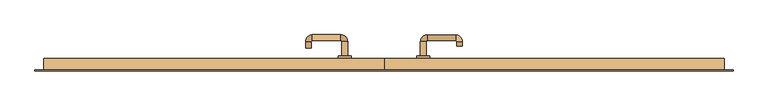
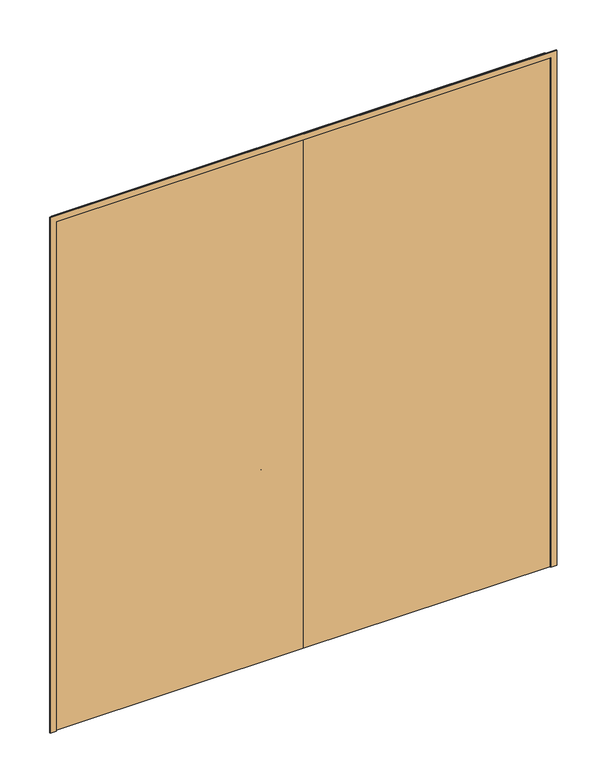
"""IFC4 building model written with IfcOpenShell, lengths in millimetres: door geometry."""

from ifc_helpers import new_model, si_unit, point, frame, frame_2d, origin, place, context, project, spatial, polyline, circle_curve, ellipse_curve, trimmed, segment, composite_curve, outline, extrude, source, transform, mapped, element, save
from ifc_brep_helpers import plane_surface, cylinder_surface, revolved_surface, advanced_brep


def door_8a9f2c15(model_context):
    return source(origin(), model_context, "Body", "SolidModel", [
        extrude(outline(polyline([(2900.0, -1350.0), (0.0, -1350.0), (0.0, -1318.0), (2868.0, -1318.0), (2868.0, 1318.0), (0.0, 1318.0), (0.0, 1350.0), (2900.0, 1350.0), (2900.0, -1350.0)])), frame((0.0, -15.0, 0.0), z_axis=(0.0, 1.0, 0.0), x_axis=(0.0, 0.0, 1.0)), (0.0, 0.0, 1.0), 5.0),
        advanced_brep(
        [(140.99898, 44.0, 1003.0), (162.99898, 44.0, 1003.0), (162.99898, 99.3525369, 1003.0), (140.99898, 99.3525369, 1003.0), (166.99898, 103.3525369, 1003.0), (166.99898, 125.3525369, 1003.0), (276.99898, 103.3525369, 1003.0), (276.99898, 125.3525369, 1003.0), (280.99898, 99.3525369, 1003.0), (302.99898, 99.3525369, 1003.0), (302.99898, 82.0, 1003.0), (280.99898, 82.0, 1003.0)],
        [
            (0, 1, circle_curve(frame((151.99898, 44.0, 1003.0), z_axis=(0.0, -1.0, 0.0), x_axis=(1.0, 0.0, 0.0)), 11.0)),
            (1, 0, circle_curve(frame((151.99898, 44.0, 1003.0), z_axis=(0.0, -1.0, 0.0), x_axis=(1.0, 0.0, 0.0)), 11.0)),
            (1, 2),
            (2, 3, circle_curve(frame((151.99898, 99.3525369, 1003.0), z_axis=(0.0, -1.0, 0.0), x_axis=(1.0, 0.0, 0.0)), 11.0)),
            (3, 0),
            (3, 2, circle_curve(frame((151.99898, 99.3525369, 1003.0), z_axis=(0.0, -1.0, 0.0), x_axis=(1.0, 0.0, 0.0)), 11.0)),
            (4, 5, circle_curve(frame((166.99898, 114.3525369, 1003.0), z_axis=(-1.0, 0.0, 0.0), x_axis=(0.0, -1.0, 0.0)), 11.0)),
            (5, 3, circle_curve(frame((166.99898, 99.3525369, 1003.0), z_axis=(0.0, 0.0, 1.0), x_axis=(-1.0, 0.0, 0.0)), 26.0)),
            (2, 4, circle_curve(frame((166.99898, 99.3525369, 1003.0), z_axis=(0.0, 0.0, -1.0), x_axis=(-1.0, 0.0, 0.0)), 4.0)),
            (5, 4, circle_curve(frame((166.99898, 114.3525369, 1003.0), z_axis=(-1.0, 0.0, 0.0), x_axis=(0.0, -1.0, 0.0)), 11.0)),
            (4, 6),
            (6, 7, circle_curve(frame((276.99898, 114.3525369, 1003.0), z_axis=(-1.0, 0.0, 0.0), x_axis=(0.0, -1.0, 0.0)), 11.0)),
            (7, 5),
            (7, 6, circle_curve(frame((276.99898, 114.3525369, 1003.0), z_axis=(-1.0, 0.0, 0.0), x_axis=(0.0, -1.0, 0.0)), 11.0)),
            (8, 9, circle_curve(frame((291.99898, 99.3525369, 1003.0), z_axis=(0.0, 1.0, 0.0), x_axis=(-1.0, 0.0, 0.0)), 11.0)),
            (9, 7, circle_curve(frame((276.99898, 99.3525369, 1003.0), z_axis=(0.0, 0.0, 1.0), x_axis=(0.0, 1.0, 0.0)), 26.0)),
            (6, 8, circle_curve(frame((276.99898, 99.3525369, 1003.0), z_axis=(0.0, 0.0, -1.0), x_axis=(0.0, 1.0, 0.0)), 4.0)),
            (9, 8, circle_curve(frame((291.99898, 99.3525369, 1003.0), z_axis=(0.0, 1.0, 0.0), x_axis=(-1.0, 0.0, 0.0)), 11.0)),
            (10, 11, circle_curve(frame((291.99898, 82.0, 1003.0), z_axis=(0.0, -1.0, 0.0), x_axis=(-1.0, 0.0, 0.0)), 11.0)),
            (11, 10, circle_curve(frame((291.99898, 82.0, 1003.0), z_axis=(0.0, -1.0, 0.0), x_axis=(-1.0, 0.0, 0.0)), 11.0)),
            (8, 11),
            (10, 9),
        ],
        [
            plane_surface(frame((140.99898, 44.0, 1003.0), z_axis=(0.0, -1.0, 0.0), x_axis=(0.0, 0.0, -1.0))),
            cylinder_surface(frame((151.99898, 44.0, 1003.0), z_axis=(0.0, -1.0, 0.0), x_axis=(1.0, 0.0, 0.0)), 11.0),
            revolved_surface(trimmed(ellipse_curve(frame((151.99898, 99.3525369, 1003.0), z_axis=(0.0, 1.0, 0.0), x_axis=(1.0, 0.0, 0.0)), 11.0, 11.0), [point((140.99898, 99.3525369, 1003.0))], [point((162.99898, 99.3525369, 1003.0))], True, "CARTESIAN"), (166.99898, 99.3525369, 1003.0), (0.0, 0.0, 1.0)),
            revolved_surface(trimmed(ellipse_curve(frame((151.99898, 99.3525369, 1003.0), z_axis=(0.0, 1.0, 0.0), x_axis=(1.0, 0.0, 0.0)), 11.0, 11.0), [point((162.99898, 99.3525369, 1003.0))], [point((140.99898, 99.3525369, 1003.0))], True, "CARTESIAN"), (166.99898, 99.3525369, 1003.0), (0.0, 0.0, 1.0)),
            cylinder_surface(frame((166.99898, 114.3525369, 1003.0), z_axis=(-1.0, 0.0, 0.0), x_axis=(0.0, -1.0, 0.0)), 11.0),
            revolved_surface(trimmed(ellipse_curve(frame((276.99898, 114.3525369, 1003.0), z_axis=(1.0, 0.0, 0.0), x_axis=(0.0, -1.0, 0.0)), 11.0, 11.0), [point((276.99898, 125.3525369, 1003.0))], [point((276.99898, 103.3525369, 1003.0))], True, "CARTESIAN"), (276.99898, 99.3525369, 1003.0), (0.0, 0.0, 1.0)),
            revolved_surface(trimmed(ellipse_curve(frame((276.99898, 114.3525369, 1003.0), z_axis=(1.0, 0.0, 0.0), x_axis=(0.0, -1.0, 0.0)), 11.0, 11.0), [point((276.99898, 103.3525369, 1003.0))], [point((276.99898, 125.3525369, 1003.0))], True, "CARTESIAN"), (276.99898, 99.3525369, 1003.0), (0.0, 0.0, 1.0)),
            plane_surface(frame((280.99898, 82.0, 1003.0), z_axis=(0.0, -1.0, 0.0), x_axis=(0.0, 0.0, 1.0))),
            cylinder_surface(frame((291.99898, 99.3525369, 1003.0), z_axis=(0.0, 1.0, 0.0), x_axis=(-1.0, 0.0, 0.0)), 11.0),
        ],
        [
            (0, [[1, 2]]),
            (1, [[3, 4, 5, -2]]),
            (1, [[-5, 6, -3, -1]]),
            (2, [[7, 8, -4, 9]]),
            (3, [[10, -9, -6, -8]]),
            (4, [[11, 12, 13, -7]]),
            (4, [[-13, 14, -11, -10]]),
            (5, [[15, 16, -12, 17]]),
            (6, [[18, -17, -14, -16]]),
            (7, [[19, 20]]),
            (8, [[21, -19, 22, -15]]),
            (8, [[-22, -20, -21, -18]]),
        ],
    ),
        extrude(outline(composite_curve([segment(trimmed(circle_curve(frame_2d((1003.0, 151.99898)), 25.0), [point((1003.0, 126.99898))], [point((1003.0, 176.99898))], False, "CARTESIAN"), True, "CONTINUOUS"), segment(trimmed(circle_curve(frame_2d((1003.0, 151.99898)), 25.0), [point((1003.0, 176.99898))], [point((1003.0, 126.99898))], False, "CARTESIAN"), True, "CONTINUOUS")], self_intersect=False)), frame((0.0, 34.0, 0.0), z_axis=(0.0, 1.0, 0.0), x_axis=(0.0, 0.0, 1.0)), (0.0, 0.0, 1.0), 10.0),
        advanced_brep(
        [(-162.99898, 44.3113879, 1003.0), (-140.99898, 44.3113879, 1003.0), (-140.99898, 99.7220447, 1003.0), (-162.99898, 99.7220447, 1003.0), (-166.99898, 125.7220447, 1003.0), (-166.99898, 103.7220447, 1003.0), (-276.99898, 125.7220447, 1003.0), (-276.99898, 103.7220447, 1003.0), (-302.99898, 99.7220447, 1003.0), (-280.99898, 99.7220447, 1003.0), (-280.99898, 74.7220447, 1003.0), (-302.99898, 74.7220447, 1003.0)],
        [
            (0, 1, circle_curve(frame((-151.99898, 44.3113879, 1003.0), z_axis=(0.0, -1.0, 0.0), x_axis=(1.0, 0.0, 0.0)), 11.0)),
            (1, 0, circle_curve(frame((-151.99898, 44.3113879, 1003.0), z_axis=(0.0, -1.0, 0.0), x_axis=(1.0, 0.0, 0.0)), 11.0)),
            (1, 2),
            (2, 3, circle_curve(frame((-151.99898, 99.7220447, 1003.0), z_axis=(0.0, -1.0, 0.0), x_axis=(1.0, 0.0, 0.0)), 11.0)),
            (3, 0),
            (3, 2, circle_curve(frame((-151.99898, 99.7220447, 1003.0), z_axis=(0.0, -1.0, 0.0), x_axis=(1.0, 0.0, 0.0)), 11.0)),
            (4, 5, circle_curve(frame((-166.99898, 114.7220447, 1003.0), z_axis=(1.0, 0.0, 0.0), x_axis=(0.0, 1.0, 0.0)), 11.0)),
            (5, 3, circle_curve(frame((-166.99898, 99.7220447, 1003.0), z_axis=(0.0, 0.0, -1.0), x_axis=(1.0, 0.0, 0.0)), 4.0)),
            (2, 4, circle_curve(frame((-166.99898, 99.7220447, 1003.0), z_axis=(0.0, 0.0, 1.0), x_axis=(1.0, 0.0, 0.0)), 26.0)),
            (5, 4, circle_curve(frame((-166.99898, 114.7220447, 1003.0), z_axis=(1.0, 0.0, 0.0), x_axis=(0.0, 1.0, 0.0)), 11.0)),
            (4, 6),
            (6, 7, circle_curve(frame((-276.99898, 114.7220447, 1003.0), z_axis=(1.0, 0.0, 0.0), x_axis=(0.0, 1.0, 0.0)), 11.0)),
            (7, 5),
            (7, 6, circle_curve(frame((-276.99898, 114.7220447, 1003.0), z_axis=(1.0, 0.0, 0.0), x_axis=(0.0, 1.0, 0.0)), 11.0)),
            (8, 9, circle_curve(frame((-291.99898, 99.7220447, 1003.0), z_axis=(0.0, 1.0, 0.0), x_axis=(-1.0, 0.0, 0.0)), 11.0)),
            (9, 7, circle_curve(frame((-276.99898, 99.7220447, 1003.0), z_axis=(0.0, 0.0, -1.0), x_axis=(0.0, 1.0, 0.0)), 4.0)),
            (6, 8, circle_curve(frame((-276.99898, 99.7220447, 1003.0), z_axis=(0.0, 0.0, 1.0), x_axis=(0.0, 1.0, 0.0)), 26.0)),
            (9, 8, circle_curve(frame((-291.99898, 99.7220447, 1003.0), z_axis=(0.0, 1.0, 0.0), x_axis=(-1.0, 0.0, 0.0)), 11.0)),
            (10, 11, circle_curve(frame((-291.99898, 74.7220447, 1003.0), z_axis=(0.0, -1.0, 0.0), x_axis=(-1.0, 0.0, 0.0)), 11.0)),
            (11, 10, circle_curve(frame((-291.99898, 74.7220447, 1003.0), z_axis=(0.0, -1.0, 0.0), x_axis=(-1.0, 0.0, 0.0)), 11.0)),
            (8, 11),
            (10, 9),
        ],
        [
            plane_surface(frame((-162.99898, 44.3113879, 1003.0), z_axis=(0.0, -1.0, 0.0), x_axis=(0.0, 0.0, -1.0))),
            cylinder_surface(frame((-151.99898, 44.3113879, 1003.0), z_axis=(0.0, -1.0, 0.0), x_axis=(1.0, 0.0, 0.0)), 11.0),
            revolved_surface(trimmed(ellipse_curve(frame((-151.99898, 99.7220447, 1003.0), z_axis=(0.0, 1.0, 0.0), x_axis=(1.0, 0.0, 0.0)), 11.0, 11.0), [point((-162.99898, 99.7220447, 1003.0))], [point((-140.99898, 99.7220447, 1003.0))], True, "CARTESIAN"), (-166.99898, 99.7220447, 1003.0), (0.0, 0.0, -1.0)),
            revolved_surface(trimmed(ellipse_curve(frame((-151.99898, 99.7220447, 1003.0), z_axis=(0.0, 1.0, 0.0), x_axis=(1.0, 0.0, 0.0)), 11.0, 11.0), [point((-140.99898, 99.7220447, 1003.0))], [point((-162.99898, 99.7220447, 1003.0))], True, "CARTESIAN"), (-166.99898, 99.7220447, 1003.0), (0.0, 0.0, -1.0)),
            cylinder_surface(frame((-166.99898, 114.7220447, 1003.0), z_axis=(1.0, 0.0, 0.0), x_axis=(0.0, 1.0, 0.0)), 11.0),
            revolved_surface(trimmed(ellipse_curve(frame((-276.99898, 114.7220447, 1003.0), z_axis=(-1.0, 0.0, 0.0), x_axis=(0.0, 1.0, 0.0)), 11.0, 11.0), [point((-276.99898, 103.7220447, 1003.0))], [point((-276.99898, 125.7220447, 1003.0))], True, "CARTESIAN"), (-276.99898, 99.7220447, 1003.0), (0.0, 0.0, -1.0)),
            revolved_surface(trimmed(ellipse_curve(frame((-276.99898, 114.7220447, 1003.0), z_axis=(-1.0, 0.0, 0.0), x_axis=(0.0, 1.0, 0.0)), 11.0, 11.0), [point((-276.99898, 125.7220447, 1003.0))], [point((-276.99898, 103.7220447, 1003.0))], True, "CARTESIAN"), (-276.99898, 99.7220447, 1003.0), (0.0, 0.0, -1.0)),
            plane_surface(frame((-302.99898, 74.7220447, 1003.0), z_axis=(0.0, -1.0, 0.0), x_axis=(0.0, 0.0, 1.0))),
            cylinder_surface(frame((-291.99898, 99.7220447, 1003.0), z_axis=(0.0, 1.0, 0.0), x_axis=(-1.0, 0.0, 0.0)), 11.0),
        ],
        [
            (0, [[1, 2]]),
            (1, [[3, 4, 5, -2]]),
            (1, [[-5, 6, -3, -1]]),
            (2, [[7, 8, -4, 9]]),
            (3, [[10, -9, -6, -8]]),
            (4, [[11, 12, 13, -7]]),
            (4, [[-13, 14, -11, -10]]),
            (5, [[15, 16, -12, 17]]),
            (6, [[18, -17, -14, -16]]),
            (7, [[19, 20]]),
            (8, [[21, -19, 22, -15]]),
            (8, [[-22, -20, -21, -18]]),
        ],
    ),
        extrude(outline(composite_curve([segment(trimmed(circle_curve(frame_2d((1003.0, -151.99898)), 25.0), [point((1003.0, -176.99898))], [point((1003.0, -126.99898))], False, "CARTESIAN"), True, "CONTINUOUS"), segment(trimmed(circle_curve(frame_2d((1003.0, -151.99898)), 25.0), [point((1003.0, -126.99898))], [point((1003.0, -176.99898))], False, "CARTESIAN"), True, "CONTINUOUS")], self_intersect=False)), frame((0.0, 34.0, 0.0), z_axis=(0.0, 1.0, 0.0), x_axis=(0.0, 0.0, 1.0)), (0.0, 0.0, 1.0), 10.3113879),
        extrude(outline(polyline([(1.0739506, 34.0), (1.0739506, -10.0), (-1315.0, -10.0), (-1315.0, 34.0), (1.0739506, 34.0)])), frame((0.0, 0.0, 1.753223), z_axis=(0.0, 0.0, 1.0), x_axis=(1.0, 0.0, 0.0)), (0.0, 0.0, 1.0), 2866.246777),
        extrude(outline(polyline([(1315.0, 34.0), (1315.0, -10.0), (1.0739506, -10.0), (1.0739506, 34.0), (1315.0, 34.0)])), frame((0.0, 0.0, 1.753223), z_axis=(0.0, 0.0, 1.0), x_axis=(1.0, 0.0, 0.0)), (0.0, 0.0, 1.0), 2866.246777),
    ])


if __name__ == "__main__":
    model = new_model("IFC4")
    model_context = context("Model", 3, world=origin())
    ifc_project = project(units=[si_unit("LENGTHUNIT", "METRE", prefix="MILLI")], contexts=[model_context])
    site = spatial("IfcSite", under=ifc_project)
    building = spatial("IfcBuilding", under=site)
    placement = place(None, origin())
    door_shape = door_8a9f2c15(model_context)
    element("IfcDoor", 1, at=placement, inside=building, context=model_context, shape_type="MappedRepresentation", body=[
        mapped(door_shape, transform((0.0, 0.0, 0.0), x_axis=(1.0, 0.0, 0.0), y_axis=(0.0, 1.0, 0.0), z_axis=(0.0, 0.0, 1.0))),
    ])
    save(model, "model.ifc")
